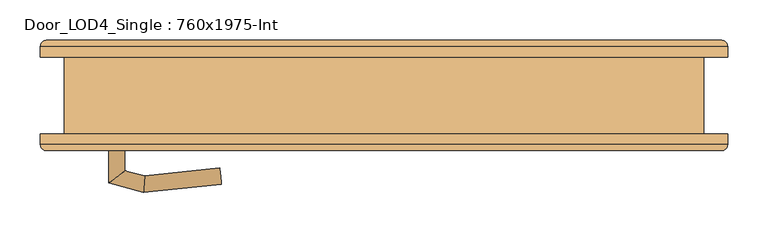
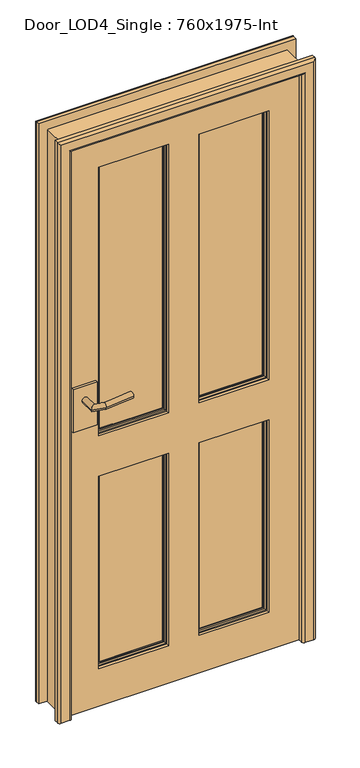
"""IFC4 building model written with IfcOpenShell, lengths in millimetres: door geometry, Door_LOD4_Single : 760x1975-Int."""

from ifc_helpers import new_model, si_unit, frame, origin, place, context, project, spatial, polyline, circle_curve, ellipse_curve, outline, extrude, source, transform, mapped, element, save
from ifc_brep_helpers import plane_surface, cylinder_surface, advanced_brep


def door_lod4_single_760x1975_int_8e423d4f(model_context):
    return source(origin(), model_context, "Body", "SolidModel", [
        advanced_brep(
        [(280.0000152, -17.5, 130.0), (50.0, -17.5, 130.0), (50.0, -17.5, 800.0), (280.0000152, -17.5, 800.0), (53.6443449, -17.5, 133.6443449), (276.3556703, -17.5, 133.6443449), (276.3556703, -17.5, 796.3556551), (53.6443449, -17.5, 796.3556551), (280.0000152, -37.5, 130.0), (280.0000152, -37.5, 800.0), (50.0, -37.5, 800.0), (50.0, -37.5, 130.0), (53.6443449, -37.5, 796.3556551), (276.3556703, -37.5, 796.3556551), (276.3556703, -37.5, 133.6443449), (53.6443449, -37.5, 133.6443449), (60.5, -29.8125, 789.5), (60.5, -32.8125, 789.5), (60.5, -32.8125, 140.5), (60.5, -29.8125, 140.5), (269.5000152, -32.8125, 140.5), (269.5000152, -29.8125, 140.5), (269.5000152, -32.8125, 789.5), (269.5000152, -29.8125, 789.5), (55.9375, -32.8125, 135.9375), (274.0625152, -32.8125, 135.9375), (274.0625152, -32.8125, 794.0625), (55.9375, -32.8125, 794.0625), (60.5, -22.1875, 789.5), (60.5, -25.1875, 789.5), (60.5, -25.1875, 140.5), (60.5, -22.1875, 140.5), (269.5000152, -25.1875, 140.5), (269.5000152, -22.1875, 140.5), (269.5000152, -25.1875, 789.5), (269.5000152, -22.1875, 789.5), (55.9375, -22.1875, 794.0625), (274.0625152, -22.1875, 794.0625), (274.0625152, -22.1875, 135.9375), (55.9375, -22.1875, 135.9375)],
        [
            (0, 1),
            (1, 2),
            (2, 3),
            (3, 0),
            (4, 5),
            (5, 6),
            (6, 7),
            (7, 4),
            (8, 9),
            (9, 10),
            (10, 11),
            (11, 8),
            (12, 13),
            (13, 14),
            (14, 15),
            (15, 12),
            (3, 9),
            (8, 0),
            (2, 10),
            (1, 11),
            (16, 17),
            (17, 18),
            (18, 19),
            (19, 16),
            (18, 20),
            (20, 21),
            (21, 19),
            (20, 22),
            (22, 23),
            (23, 21),
            (24, 25),
            (25, 26),
            (26, 27),
            (27, 24),
            (17, 22),
            (16, 23),
            (27, 12, ellipse_curve(frame((50.0, -32.8125, 800.0), z_axis=(-0.7071067811865475, 0.0, -0.7071067811865475), x_axis=(0.7071067811865474, 0.0, -0.7071067811865476)), 8.396893, 5.9375)),
            (15, 24, ellipse_curve(frame((50.0, -32.8125, 130.0), z_axis=(-0.7071067811865475, 0.0, 0.7071067811865475), x_axis=(-0.7071067811865474, 0.0, -0.7071067811865476)), 8.396893, 5.9375)),
            (14, 25, ellipse_curve(frame((280.0000152, -32.8125, 130.0), z_axis=(-0.7071067811865475, 0.0, -0.7071067811865475), x_axis=(0.7071067811865476, 0.0, -0.7071067811865474)), 8.396893, 5.9375)),
            (13, 26, ellipse_curve(frame((280.0000152, -32.8125, 800.0), z_axis=(0.7071067811865475, 0.0, -0.7071067811865475), x_axis=(0.7071067811865474, 0.0, 0.7071067811865476)), 8.396893, 5.9375)),
            (28, 29),
            (29, 30),
            (30, 31),
            (31, 28),
            (30, 32),
            (32, 33),
            (33, 31),
            (32, 34),
            (34, 35),
            (35, 33),
            (36, 37),
            (37, 38),
            (38, 39),
            (39, 36),
            (35, 28),
            (34, 29),
            (39, 4, ellipse_curve(frame((50.0, -22.1875, 130.0), z_axis=(-0.7071067811865475, 0.0, 0.7071067811865475), x_axis=(-0.7071067811865474, 0.0, -0.7071067811865476)), 8.396893, 5.9375)),
            (7, 36, ellipse_curve(frame((50.0, -22.1875, 800.0), z_axis=(-0.7071067811865475, 0.0, -0.7071067811865475), x_axis=(0.7071067811865474, 0.0, -0.7071067811865476)), 8.396893, 5.9375)),
            (38, 5, ellipse_curve(frame((280.0000152, -22.1875, 130.0), z_axis=(-0.7071067811865475, 0.0, -0.7071067811865475), x_axis=(0.7071067811865476, 0.0, -0.7071067811865474)), 8.396893, 5.9375)),
            (37, 6, ellipse_curve(frame((280.0000152, -22.1875, 800.0), z_axis=(0.7071067811865475, 0.0, -0.7071067811865475), x_axis=(0.7071067811865474, 0.0, 0.7071067811865476)), 8.396893, 5.9375)),
        ],
        [
            plane_surface(frame((280.0000152, -17.5, 130.0), z_axis=(0.0, 1.0, 0.0), x_axis=(0.0, 0.0, 1.0))),
            plane_surface(frame((280.0000152, -37.5, 130.0), z_axis=(0.0, -1.0, 0.0), x_axis=(0.0, 0.0, -1.0))),
            plane_surface(frame((280.0000152, -17.5, 130.0), z_axis=(1.0, 0.0, 0.0), x_axis=(0.0, -1.0, 0.0))),
            plane_surface(frame((280.0000152, -17.5, 800.0), z_axis=(0.0, 0.0, 1.0), x_axis=(0.0, -1.0, 0.0))),
            plane_surface(frame((50.0, -17.5, 800.0), z_axis=(-1.0, 0.0, 0.0), x_axis=(0.0, -1.0, 0.0))),
            plane_surface(frame((50.0, -17.5, 130.0), z_axis=(0.0, 0.0, -1.0), x_axis=(0.0, -1.0, 0.0))),
            plane_surface(frame((60.5, -32.8125, 789.5), z_axis=(1.0, 0.0, 0.0), x_axis=(0.0, 0.0, -1.0))),
            plane_surface(frame((60.5, -32.8125, 140.5), z_axis=(0.0, 0.0, 1.0), x_axis=(1.0, 0.0, 0.0))),
            plane_surface(frame((269.5000152, -32.8125, 140.5), z_axis=(-1.0, 0.0, 0.0), x_axis=(0.0, 0.0, 1.0))),
            plane_surface(frame((274.0625152, -32.8125, 794.0625), z_axis=(0.0, -1.0, 0.0), x_axis=(-1.0, 0.0, 0.0))),
            plane_surface(frame((269.5000152, -32.8125, 789.5), z_axis=(0.0, 0.0, -1.0), x_axis=(-1.0, 0.0, 0.0))),
            plane_surface(frame((269.5000152, -29.8125, 789.5), z_axis=(0.0, -1.0, 0.0), x_axis=(-1.0, 0.0, 0.0))),
            cylinder_surface(frame((50.0, -32.8125, 800.0), z_axis=(0.0, 0.0, -1.0), x_axis=(-1.0, 0.0, 0.0)), 5.9375),
            cylinder_surface(frame((50.0, -32.8125, 130.0), z_axis=(1.0, 0.0, 0.0), x_axis=(0.0, 0.0, -1.0)), 5.9375),
            cylinder_surface(frame((280.0000152, -32.8125, 130.0), z_axis=(0.0, 0.0, 1.0), x_axis=(1.0, 0.0, 0.0)), 5.9375),
            cylinder_surface(frame((280.0000152, -32.8125, 800.0), z_axis=(-1.0, 0.0, 0.0), x_axis=(0.0, 0.0, 1.0)), 5.9375),
            plane_surface(frame((60.5, -25.1875, 789.5), z_axis=(1.0, 0.0, 0.0), x_axis=(0.0, 0.0, -1.0))),
            plane_surface(frame((60.5, -25.1875, 140.5), z_axis=(0.0, 0.0, 1.0), x_axis=(1.0, 0.0, 0.0))),
            plane_surface(frame((269.5000152, -25.1875, 140.5), z_axis=(-1.0, 0.0, 0.0), x_axis=(0.0, 0.0, 1.0))),
            plane_surface(frame((269.5000152, -22.1875, 789.5), z_axis=(0.0, 1.0, 0.0), x_axis=(-1.0, 0.0, 0.0))),
            plane_surface(frame((269.5000152, -25.1875, 789.5), z_axis=(0.0, 0.0, -1.0), x_axis=(-1.0, 0.0, 0.0))),
            plane_surface(frame((246.5442628, -25.1875, 766.5442476), z_axis=(0.0, 1.0, 0.0), x_axis=(-1.0, 0.0, 0.0))),
            cylinder_surface(frame((50.0, -22.1875, 800.0), z_axis=(0.0, 0.0, -1.0), x_axis=(1.0, 0.0, 0.0)), 5.9375),
            cylinder_surface(frame((50.0, -22.1875, 130.0), z_axis=(1.0, 0.0, 0.0), x_axis=(0.0, 0.0, 1.0)), 5.9375),
            cylinder_surface(frame((280.0000152, -22.1875, 130.0), z_axis=(0.0, 0.0, 1.0), x_axis=(-1.0, 0.0, 0.0)), 5.9375),
            cylinder_surface(frame((280.0000152, -22.1875, 800.0), z_axis=(-1.0, 0.0, 0.0), x_axis=(0.0, 0.0, -1.0)), 5.9375),
        ],
        [
            (0, [[1, 2, 3, 4], [5, 6, 7, 8]]),
            (1, [[9, 10, 11, 12], [13, 14, 15, 16]]),
            (2, [[17, -9, 18, -4]]),
            (3, [[19, -10, -17, -3]]),
            (4, [[20, -11, -19, -2]]),
            (5, [[-18, -12, -20, -1]]),
            (6, [[21, 22, 23, 24]]),
            (7, [[25, 26, 27, -23]]),
            (8, [[28, 29, 30, -26]]),
            (9, [[31, 32, 33, 34], [35, -28, -25, -22]]),
            (10, [[36, -29, -35, -21]]),
            (11, [[-27, -30, -36, -24]]),
            (12, [[37, -16, 38, -34]]),
            (13, [[-38, -15, 39, -31]]),
            (14, [[-39, -14, 40, -32]]),
            (15, [[-40, -13, -37, -33]]),
            (16, [[41, 42, 43, 44]]),
            (17, [[45, 46, 47, -43]]),
            (18, [[48, 49, 50, -46]]),
            (19, [[51, 52, 53, 54], [-47, -50, 55, -44]]),
            (20, [[-55, -49, 56, -41]]),
            (21, [[-56, -48, -45, -42]]),
            (22, [[57, -8, 58, -54]]),
            (23, [[59, -5, -57, -53]]),
            (24, [[60, -6, -59, -52]]),
            (25, [[-58, -7, -60, -51]]),
        ],
    ),
        advanced_brep(
        [(-50.0, -17.5, 130.0), (-280.0000152, -17.5, 130.0), (-280.0000152, -17.5, 800.0), (-50.0, -17.5, 800.0), (-276.3556703, -17.5, 133.6443449), (-53.6443449, -17.5, 133.6443449), (-53.6443449, -17.5, 796.3556551), (-276.3556703, -17.5, 796.3556551), (-50.0, -37.5, 130.0), (-50.0, -37.5, 800.0), (-280.0000152, -37.5, 800.0), (-280.0000152, -37.5, 130.0), (-276.3556703, -37.5, 796.3556551), (-53.6443449, -37.5, 796.3556551), (-53.6443449, -37.5, 133.6443449), (-276.3556703, -37.5, 133.6443449), (-269.5000152, -29.8125, 789.5), (-269.5000152, -32.8125, 789.5), (-269.5000152, -32.8125, 140.5), (-269.5000152, -29.8125, 140.5), (-60.5, -32.8125, 140.5), (-60.5, -29.8125, 140.5), (-60.5, -32.8125, 789.5), (-60.5, -29.8125, 789.5), (-274.0625152, -32.8125, 135.9375), (-55.9375, -32.8125, 135.9375), (-55.9375, -32.8125, 794.0625), (-274.0625152, -32.8125, 794.0625), (-269.5000152, -22.1875, 789.5), (-269.5000152, -25.1875, 789.5), (-269.5000152, -25.1875, 140.5), (-269.5000152, -22.1875, 140.5), (-60.5, -25.1875, 140.5), (-60.5, -22.1875, 140.5), (-60.5, -25.1875, 789.5), (-60.5, -22.1875, 789.5), (-274.0625152, -22.1875, 794.0625), (-55.9375, -22.1875, 794.0625), (-55.9375, -22.1875, 135.9375), (-274.0625152, -22.1875, 135.9375)],
        [
            (0, 1),
            (1, 2),
            (2, 3),
            (3, 0),
            (4, 5),
            (5, 6),
            (6, 7),
            (7, 4),
            (8, 9),
            (9, 10),
            (10, 11),
            (11, 8),
            (12, 13),
            (13, 14),
            (14, 15),
            (15, 12),
            (3, 9),
            (8, 0),
            (2, 10),
            (1, 11),
            (16, 17),
            (17, 18),
            (18, 19),
            (19, 16),
            (18, 20),
            (20, 21),
            (21, 19),
            (20, 22),
            (22, 23),
            (23, 21),
            (24, 25),
            (25, 26),
            (26, 27),
            (27, 24),
            (17, 22),
            (16, 23),
            (27, 12, ellipse_curve(frame((-280.0000152, -32.8125, 800.0), z_axis=(-0.7071067811865475, 0.0, -0.7071067811865475), x_axis=(0.7071067811865474, 0.0, -0.7071067811865476)), 8.396893, 5.9375)),
            (15, 24, ellipse_curve(frame((-280.0000152, -32.8125, 130.0), z_axis=(-0.7071067811865475, 0.0, 0.7071067811865475), x_axis=(-0.7071067811865474, 0.0, -0.7071067811865476)), 8.396893, 5.9375)),
            (14, 25, ellipse_curve(frame((-50.0, -32.8125, 130.0), z_axis=(-0.7071067811865475, 0.0, -0.7071067811865475), x_axis=(0.7071067811865476, 0.0, -0.7071067811865474)), 8.396893, 5.9375)),
            (13, 26, ellipse_curve(frame((-50.0, -32.8125, 800.0), z_axis=(0.7071067811865475, 0.0, -0.7071067811865475), x_axis=(0.7071067811865474, 0.0, 0.7071067811865476)), 8.396893, 5.9375)),
            (28, 29),
            (29, 30),
            (30, 31),
            (31, 28),
            (30, 32),
            (32, 33),
            (33, 31),
            (32, 34),
            (34, 35),
            (35, 33),
            (36, 37),
            (37, 38),
            (38, 39),
            (39, 36),
            (35, 28),
            (34, 29),
            (39, 4, ellipse_curve(frame((-280.0000152, -22.1875, 130.0), z_axis=(-0.7071067811865475, 0.0, 0.7071067811865475), x_axis=(-0.7071067811865474, 0.0, -0.7071067811865476)), 8.396893, 5.9375)),
            (7, 36, ellipse_curve(frame((-280.0000152, -22.1875, 800.0), z_axis=(-0.7071067811865475, 0.0, -0.7071067811865475), x_axis=(0.7071067811865474, 0.0, -0.7071067811865476)), 8.396893, 5.9375)),
            (38, 5, ellipse_curve(frame((-50.0, -22.1875, 130.0), z_axis=(-0.7071067811865475, 0.0, -0.7071067811865475), x_axis=(0.7071067811865476, 0.0, -0.7071067811865474)), 8.396893, 5.9375)),
            (37, 6, ellipse_curve(frame((-50.0, -22.1875, 800.0), z_axis=(0.7071067811865475, 0.0, -0.7071067811865475), x_axis=(0.7071067811865474, 0.0, 0.7071067811865476)), 8.396893, 5.9375)),
        ],
        [
            plane_surface(frame((-50.0, -17.5, 130.0), z_axis=(0.0, 1.0, 0.0), x_axis=(0.0, 0.0, 1.0))),
            plane_surface(frame((-50.0, -37.5, 130.0), z_axis=(0.0, -1.0, 0.0), x_axis=(0.0, 0.0, -1.0))),
            plane_surface(frame((-50.0, -17.5, 130.0), z_axis=(1.0, 0.0, 0.0), x_axis=(0.0, -1.0, 0.0))),
            plane_surface(frame((-50.0, -17.5, 800.0), z_axis=(0.0, 0.0, 1.0), x_axis=(0.0, -1.0, 0.0))),
            plane_surface(frame((-280.0000152, -17.5, 800.0), z_axis=(-1.0, 0.0, 0.0), x_axis=(0.0, -1.0, 0.0))),
            plane_surface(frame((-280.0000152, -17.5, 130.0), z_axis=(0.0, 0.0, -1.0), x_axis=(0.0, -1.0, 0.0))),
            plane_surface(frame((-269.5000152, -32.8125, 789.5), z_axis=(1.0, 0.0, 0.0), x_axis=(0.0, 0.0, -1.0))),
            plane_surface(frame((-269.5000152, -32.8125, 140.5), z_axis=(0.0, 0.0, 1.0), x_axis=(1.0, 0.0, 0.0))),
            plane_surface(frame((-60.5, -32.8125, 140.5), z_axis=(-1.0, 0.0, 0.0), x_axis=(0.0, 0.0, 1.0))),
            plane_surface(frame((-55.9375, -32.8125, 794.0625), z_axis=(0.0, -1.0, 0.0), x_axis=(-1.0, 0.0, 0.0))),
            plane_surface(frame((-60.5, -32.8125, 789.5), z_axis=(0.0, 0.0, -1.0), x_axis=(-1.0, 0.0, 0.0))),
            plane_surface(frame((-60.5, -29.8125, 789.5), z_axis=(0.0, -1.0, 0.0), x_axis=(-1.0, 0.0, 0.0))),
            cylinder_surface(frame((-280.0000152, -32.8125, 800.0), z_axis=(0.0, 0.0, -1.0), x_axis=(-1.0, 0.0, 0.0)), 5.9375),
            cylinder_surface(frame((-280.0000152, -32.8125, 130.0), z_axis=(1.0, 0.0, 0.0), x_axis=(0.0, 0.0, -1.0)), 5.9375),
            cylinder_surface(frame((-50.0, -32.8125, 130.0), z_axis=(0.0, 0.0, 1.0), x_axis=(1.0, 0.0, 0.0)), 5.9375),
            cylinder_surface(frame((-50.0, -32.8125, 800.0), z_axis=(-1.0, 0.0, 0.0), x_axis=(0.0, 0.0, 1.0)), 5.9375),
            plane_surface(frame((-269.5000152, -25.1875, 789.5), z_axis=(1.0, 0.0, 0.0), x_axis=(0.0, 0.0, -1.0))),
            plane_surface(frame((-269.5000152, -25.1875, 140.5), z_axis=(0.0, 0.0, 1.0), x_axis=(1.0, 0.0, 0.0))),
            plane_surface(frame((-60.5, -25.1875, 140.5), z_axis=(-1.0, 0.0, 0.0), x_axis=(0.0, 0.0, 1.0))),
            plane_surface(frame((-60.5, -22.1875, 789.5), z_axis=(0.0, 1.0, 0.0), x_axis=(-1.0, 0.0, 0.0))),
            plane_surface(frame((-60.5, -25.1875, 789.5), z_axis=(0.0, 0.0, -1.0), x_axis=(-1.0, 0.0, 0.0))),
            plane_surface(frame((-83.4557524, -25.1875, 766.5442476), z_axis=(0.0, 1.0, 0.0), x_axis=(-1.0, 0.0, 0.0))),
            cylinder_surface(frame((-280.0000152, -22.1875, 800.0), z_axis=(0.0, 0.0, -1.0), x_axis=(1.0, 0.0, 0.0)), 5.9375),
            cylinder_surface(frame((-280.0000152, -22.1875, 130.0), z_axis=(1.0, 0.0, 0.0), x_axis=(0.0, 0.0, 1.0)), 5.9375),
            cylinder_surface(frame((-50.0, -22.1875, 130.0), z_axis=(0.0, 0.0, 1.0), x_axis=(-1.0, 0.0, 0.0)), 5.9375),
            cylinder_surface(frame((-50.0, -22.1875, 800.0), z_axis=(-1.0, 0.0, 0.0), x_axis=(0.0, 0.0, -1.0)), 5.9375),
        ],
        [
            (0, [[1, 2, 3, 4], [5, 6, 7, 8]]),
            (1, [[9, 10, 11, 12], [13, 14, 15, 16]]),
            (2, [[17, -9, 18, -4]]),
            (3, [[19, -10, -17, -3]]),
            (4, [[20, -11, -19, -2]]),
            (5, [[-18, -12, -20, -1]]),
            (6, [[21, 22, 23, 24]]),
            (7, [[25, 26, 27, -23]]),
            (8, [[28, 29, 30, -26]]),
            (9, [[31, 32, 33, 34], [35, -28, -25, -22]]),
            (10, [[36, -29, -35, -21]]),
            (11, [[-27, -30, -36, -24]]),
            (12, [[37, -16, 38, -34]]),
            (13, [[-38, -15, 39, -31]]),
            (14, [[-39, -14, 40, -32]]),
            (15, [[-40, -13, -37, -33]]),
            (16, [[41, 42, 43, 44]]),
            (17, [[45, 46, 47, -43]]),
            (18, [[48, 49, 50, -46]]),
            (19, [[51, 52, 53, 54], [-47, -50, 55, -44]]),
            (20, [[-55, -49, 56, -41]]),
            (21, [[-56, -48, -45, -42]]),
            (22, [[57, -8, 58, -54]]),
            (23, [[59, -5, -57, -53]]),
            (24, [[60, -6, -59, -52]]),
            (25, [[-58, -7, -60, -51]]),
        ],
    ),
        advanced_brep(
        [(280.0000152, -17.5, 940.0), (50.0, -17.5, 940.0), (50.0, -17.5, 1875.0000791), (280.0000152, -17.5, 1875.0000791), (53.6443449, -17.5, 943.6443449), (276.3556703, -17.5, 943.6443449), (276.3556703, -17.5, 1871.3557342), (53.6443449, -17.5, 1871.3557342), (280.0000152, -37.5, 940.0), (280.0000152, -37.5, 1875.0000791), (50.0, -37.5, 1875.0000791), (50.0, -37.5, 940.0), (53.6443449, -37.5, 1871.3557342), (276.3556703, -37.5, 1871.3557342), (276.3556703, -37.5, 943.6443449), (53.6443449, -37.5, 943.6443449), (60.5, -29.8125, 1864.5000791), (60.5, -32.8125, 1864.5000791), (60.5, -32.8125, 950.5), (60.5, -29.8125, 950.5), (269.5000152, -32.8125, 950.5), (269.5000152, -29.8125, 950.5), (269.5000152, -32.8125, 1864.5000791), (269.5000152, -29.8125, 1864.5000791), (55.9375, -32.8125, 945.9375), (274.0625152, -32.8125, 945.9375), (274.0625152, -32.8125, 1869.0625791), (55.9375, -32.8125, 1869.0625791), (60.5, -22.1875, 1864.5000791), (60.5, -25.1875, 1864.5000791), (60.5, -25.1875, 950.5), (60.5, -22.1875, 950.5), (269.5000152, -25.1875, 950.5), (269.5000152, -22.1875, 950.5), (269.5000152, -25.1875, 1864.5000791), (269.5000152, -22.1875, 1864.5000791), (55.9375, -22.1875, 1869.0625791), (274.0625152, -22.1875, 1869.0625791), (274.0625152, -22.1875, 945.9375), (55.9375, -22.1875, 945.9375)],
        [
            (0, 1),
            (1, 2),
            (2, 3),
            (3, 0),
            (4, 5),
            (5, 6),
            (6, 7),
            (7, 4),
            (8, 9),
            (9, 10),
            (10, 11),
            (11, 8),
            (12, 13),
            (13, 14),
            (14, 15),
            (15, 12),
            (3, 9),
            (8, 0),
            (2, 10),
            (1, 11),
            (16, 17),
            (17, 18),
            (18, 19),
            (19, 16),
            (18, 20),
            (20, 21),
            (21, 19),
            (20, 22),
            (22, 23),
            (23, 21),
            (24, 25),
            (25, 26),
            (26, 27),
            (27, 24),
            (17, 22),
            (16, 23),
            (27, 12, ellipse_curve(frame((50.0, -32.8125, 1875.0000791), z_axis=(-0.7071067811865475, 0.0, -0.7071067811865475), x_axis=(0.7071067811865474, 0.0, -0.7071067811865476)), 8.396893, 5.9375)),
            (15, 24, ellipse_curve(frame((50.0, -32.8125, 940.0), z_axis=(-0.7071067811865475, 0.0, 0.7071067811865475), x_axis=(-0.7071067811865474, 0.0, -0.7071067811865476)), 8.396893, 5.9375)),
            (14, 25, ellipse_curve(frame((280.0000152, -32.8125, 940.0), z_axis=(-0.7071067811865475, 0.0, -0.7071067811865475), x_axis=(0.7071067811865476, 0.0, -0.7071067811865474)), 8.396893, 5.9375)),
            (13, 26, ellipse_curve(frame((280.0000152, -32.8125, 1875.0000791), z_axis=(0.7071067811865475, 0.0, -0.7071067811865475), x_axis=(0.7071067811865474, 0.0, 0.7071067811865476)), 8.396893, 5.9375)),
            (28, 29),
            (29, 30),
            (30, 31),
            (31, 28),
            (30, 32),
            (32, 33),
            (33, 31),
            (32, 34),
            (34, 35),
            (35, 33),
            (36, 37),
            (37, 38),
            (38, 39),
            (39, 36),
            (35, 28),
            (34, 29),
            (39, 4, ellipse_curve(frame((50.0, -22.1875, 940.0), z_axis=(-0.7071067811865475, 0.0, 0.7071067811865475), x_axis=(-0.7071067811865474, 0.0, -0.7071067811865476)), 8.396893, 5.9375)),
            (7, 36, ellipse_curve(frame((50.0, -22.1875, 1875.0000791), z_axis=(-0.7071067811865475, 0.0, -0.7071067811865475), x_axis=(0.7071067811865474, 0.0, -0.7071067811865476)), 8.396893, 5.9375)),
            (38, 5, ellipse_curve(frame((280.0000152, -22.1875, 940.0), z_axis=(-0.7071067811865475, 0.0, -0.7071067811865475), x_axis=(0.7071067811865476, 0.0, -0.7071067811865474)), 8.396893, 5.9375)),
            (37, 6, ellipse_curve(frame((280.0000152, -22.1875, 1875.0000791), z_axis=(0.7071067811865475, 0.0, -0.7071067811865475), x_axis=(0.7071067811865474, 0.0, 0.7071067811865476)), 8.396893, 5.9375)),
        ],
        [
            plane_surface(frame((280.0000152, -17.5, 940.0), z_axis=(0.0, 1.0, 0.0), x_axis=(0.0, 0.0, 1.0))),
            plane_surface(frame((280.0000152, -37.5, 940.0), z_axis=(0.0, -1.0, 0.0), x_axis=(0.0, 0.0, -1.0))),
            plane_surface(frame((280.0000152, -17.5, 940.0), z_axis=(1.0, 0.0, 0.0), x_axis=(0.0, -1.0, 0.0))),
            plane_surface(frame((280.0000152, -17.5, 1875.0000791), z_axis=(0.0, 0.0, 1.0), x_axis=(0.0, -1.0, 0.0))),
            plane_surface(frame((50.0, -17.5, 1875.0000791), z_axis=(-1.0, 0.0, 0.0), x_axis=(0.0, -1.0, 0.0))),
            plane_surface(frame((50.0, -17.5, 940.0), z_axis=(0.0, 0.0, -1.0), x_axis=(0.0, -1.0, 0.0))),
            plane_surface(frame((60.5, -32.8125, 1864.5000791), z_axis=(1.0, 0.0, 0.0), x_axis=(0.0, 0.0, -1.0))),
            plane_surface(frame((60.5, -32.8125, 950.5), z_axis=(0.0, 0.0, 1.0), x_axis=(1.0, 0.0, 0.0))),
            plane_surface(frame((269.5000152, -32.8125, 950.5), z_axis=(-1.0, 0.0, 0.0), x_axis=(0.0, 0.0, 1.0))),
            plane_surface(frame((274.0625152, -32.8125, 1869.0625791), z_axis=(0.0, -1.0, 0.0), x_axis=(-1.0, 0.0, 0.0))),
            plane_surface(frame((269.5000152, -32.8125, 1864.5000791), z_axis=(0.0, 0.0, -1.0), x_axis=(-1.0, 0.0, 0.0))),
            plane_surface(frame((269.5000152, -29.8125, 1864.5000791), z_axis=(0.0, -1.0, 0.0), x_axis=(-1.0, 0.0, 0.0))),
            cylinder_surface(frame((50.0, -32.8125, 1875.0000791), z_axis=(0.0, 0.0, -1.0), x_axis=(-1.0, 0.0, 0.0)), 5.9375),
            cylinder_surface(frame((50.0, -32.8125, 940.0), z_axis=(1.0, 0.0, 0.0), x_axis=(0.0, 0.0, -1.0)), 5.9375),
            cylinder_surface(frame((280.0000152, -32.8125, 940.0), z_axis=(0.0, 0.0, 1.0), x_axis=(1.0, 0.0, 0.0)), 5.9375),
            cylinder_surface(frame((280.0000152, -32.8125, 1875.0000791), z_axis=(-1.0, 0.0, 0.0), x_axis=(0.0, 0.0, 1.0)), 5.9375),
            plane_surface(frame((60.5, -25.1875, 1864.5000791), z_axis=(1.0, 0.0, 0.0), x_axis=(0.0, 0.0, -1.0))),
            plane_surface(frame((60.5, -25.1875, 950.5), z_axis=(0.0, 0.0, 1.0), x_axis=(1.0, 0.0, 0.0))),
            plane_surface(frame((269.5000152, -25.1875, 950.5), z_axis=(-1.0, 0.0, 0.0), x_axis=(0.0, 0.0, 1.0))),
            plane_surface(frame((269.5000152, -22.1875, 1864.5000791), z_axis=(0.0, 1.0, 0.0), x_axis=(-1.0, 0.0, 0.0))),
            plane_surface(frame((269.5000152, -25.1875, 1864.5000791), z_axis=(0.0, 0.0, -1.0), x_axis=(-1.0, 0.0, 0.0))),
            plane_surface(frame((246.5442628, -25.1875, 1841.5443267), z_axis=(0.0, 1.0, 0.0), x_axis=(-1.0, 0.0, 0.0))),
            cylinder_surface(frame((50.0, -22.1875, 1875.0000791), z_axis=(0.0, 0.0, -1.0), x_axis=(1.0, 0.0, 0.0)), 5.9375),
            cylinder_surface(frame((50.0, -22.1875, 940.0), z_axis=(1.0, 0.0, 0.0), x_axis=(0.0, 0.0, 1.0)), 5.9375),
            cylinder_surface(frame((280.0000152, -22.1875, 940.0), z_axis=(0.0, 0.0, 1.0), x_axis=(-1.0, 0.0, 0.0)), 5.9375),
            cylinder_surface(frame((280.0000152, -22.1875, 1875.0000791), z_axis=(-1.0, 0.0, 0.0), x_axis=(0.0, 0.0, -1.0)), 5.9375),
        ],
        [
            (0, [[1, 2, 3, 4], [5, 6, 7, 8]]),
            (1, [[9, 10, 11, 12], [13, 14, 15, 16]]),
            (2, [[17, -9, 18, -4]]),
            (3, [[19, -10, -17, -3]]),
            (4, [[20, -11, -19, -2]]),
            (5, [[-18, -12, -20, -1]]),
            (6, [[21, 22, 23, 24]]),
            (7, [[25, 26, 27, -23]]),
            (8, [[28, 29, 30, -26]]),
            (9, [[31, 32, 33, 34], [35, -28, -25, -22]]),
            (10, [[36, -29, -35, -21]]),
            (11, [[-27, -30, -36, -24]]),
            (12, [[37, -16, 38, -34]]),
            (13, [[-38, -15, 39, -31]]),
            (14, [[-39, -14, 40, -32]]),
            (15, [[-40, -13, -37, -33]]),
            (16, [[41, 42, 43, 44]]),
            (17, [[45, 46, 47, -43]]),
            (18, [[48, 49, 50, -46]]),
            (19, [[51, 52, 53, 54], [-47, -50, 55, -44]]),
            (20, [[-55, -49, 56, -41]]),
            (21, [[-56, -48, -45, -42]]),
            (22, [[57, -8, 58, -54]]),
            (23, [[59, -5, -57, -53]]),
            (24, [[60, -6, -59, -52]]),
            (25, [[-58, -7, -60, -51]]),
        ],
    ),
        advanced_brep(
        [(-50.0, -17.5, 940.0), (-280.0000152, -17.5, 940.0), (-280.0000152, -17.5, 1875.0000791), (-50.0, -17.5, 1875.0000791), (-276.3556703, -17.5, 943.6443449), (-53.6443449, -17.5, 943.6443449), (-53.6443449, -17.5, 1871.3557342), (-276.3556703, -17.5, 1871.3557342), (-50.0, -37.5, 940.0), (-50.0, -37.5, 1875.0000791), (-280.0000152, -37.5, 1875.0000791), (-280.0000152, -37.5, 940.0), (-276.3556703, -37.5, 1871.3557342), (-53.6443449, -37.5, 1871.3557342), (-53.6443449, -37.5, 943.6443449), (-276.3556703, -37.5, 943.6443449), (-269.5000152, -29.8125, 1864.5000791), (-269.5000152, -32.8125, 1864.5000791), (-269.5000152, -32.8125, 950.5), (-269.5000152, -29.8125, 950.5), (-60.5, -32.8125, 950.5), (-60.5, -29.8125, 950.5), (-60.5, -32.8125, 1864.5000791), (-60.5, -29.8125, 1864.5000791), (-274.0625152, -32.8125, 945.9375), (-55.9375, -32.8125, 945.9375), (-55.9375, -32.8125, 1869.0625791), (-274.0625152, -32.8125, 1869.0625791), (-269.5000152, -22.1875, 1864.5000791), (-269.5000152, -25.1875, 1864.5000791), (-269.5000152, -25.1875, 950.5), (-269.5000152, -22.1875, 950.5), (-60.5, -25.1875, 950.5), (-60.5, -22.1875, 950.5), (-60.5, -25.1875, 1864.5000791), (-60.5, -22.1875, 1864.5000791), (-274.0625152, -22.1875, 1869.0625791), (-55.9375, -22.1875, 1869.0625791), (-55.9375, -22.1875, 945.9375), (-274.0625152, -22.1875, 945.9375)],
        [
            (0, 1),
            (1, 2),
            (2, 3),
            (3, 0),
            (4, 5),
            (5, 6),
            (6, 7),
            (7, 4),
            (8, 9),
            (9, 10),
            (10, 11),
            (11, 8),
            (12, 13),
            (13, 14),
            (14, 15),
            (15, 12),
            (3, 9),
            (8, 0),
            (2, 10),
            (1, 11),
            (16, 17),
            (17, 18),
            (18, 19),
            (19, 16),
            (18, 20),
            (20, 21),
            (21, 19),
            (20, 22),
            (22, 23),
            (23, 21),
            (24, 25),
            (25, 26),
            (26, 27),
            (27, 24),
            (17, 22),
            (16, 23),
            (27, 12, ellipse_curve(frame((-280.0000152, -32.8125, 1875.0000791), z_axis=(-0.7071067811865475, 0.0, -0.7071067811865475), x_axis=(0.7071067811865474, 0.0, -0.7071067811865476)), 8.396893, 5.9375)),
            (15, 24, ellipse_curve(frame((-280.0000152, -32.8125, 940.0), z_axis=(-0.7071067811865475, 0.0, 0.7071067811865475), x_axis=(-0.7071067811865474, 0.0, -0.7071067811865476)), 8.396893, 5.9375)),
            (14, 25, ellipse_curve(frame((-50.0, -32.8125, 940.0), z_axis=(-0.7071067811865475, 0.0, -0.7071067811865475), x_axis=(0.7071067811865476, 0.0, -0.7071067811865474)), 8.396893, 5.9375)),
            (13, 26, ellipse_curve(frame((-50.0, -32.8125, 1875.0000791), z_axis=(0.7071067811865475, 0.0, -0.7071067811865475), x_axis=(0.7071067811865474, 0.0, 0.7071067811865476)), 8.396893, 5.9375)),
            (28, 29),
            (29, 30),
            (30, 31),
            (31, 28),
            (30, 32),
            (32, 33),
            (33, 31),
            (32, 34),
            (34, 35),
            (35, 33),
            (36, 37),
            (37, 38),
            (38, 39),
            (39, 36),
            (35, 28),
            (34, 29),
            (39, 4, ellipse_curve(frame((-280.0000152, -22.1875, 940.0), z_axis=(-0.7071067811865475, 0.0, 0.7071067811865475), x_axis=(-0.7071067811865474, 0.0, -0.7071067811865476)), 8.396893, 5.9375)),
            (7, 36, ellipse_curve(frame((-280.0000152, -22.1875, 1875.0000791), z_axis=(-0.7071067811865475, 0.0, -0.7071067811865475), x_axis=(0.7071067811865474, 0.0, -0.7071067811865476)), 8.396893, 5.9375)),
            (38, 5, ellipse_curve(frame((-50.0, -22.1875, 940.0), z_axis=(-0.7071067811865475, 0.0, -0.7071067811865475), x_axis=(0.7071067811865476, 0.0, -0.7071067811865474)), 8.396893, 5.9375)),
            (37, 6, ellipse_curve(frame((-50.0, -22.1875, 1875.0000791), z_axis=(0.7071067811865475, 0.0, -0.7071067811865475), x_axis=(0.7071067811865474, 0.0, 0.7071067811865476)), 8.396893, 5.9375)),
        ],
        [
            plane_surface(frame((-50.0, -17.5, 940.0), z_axis=(0.0, 1.0, 0.0), x_axis=(0.0, 0.0, 1.0))),
            plane_surface(frame((-50.0, -37.5, 940.0), z_axis=(0.0, -1.0, 0.0), x_axis=(0.0, 0.0, -1.0))),
            plane_surface(frame((-50.0, -17.5, 940.0), z_axis=(1.0, 0.0, 0.0), x_axis=(0.0, -1.0, 0.0))),
            plane_surface(frame((-50.0, -17.5, 1875.0000791), z_axis=(0.0, 0.0, 1.0), x_axis=(0.0, -1.0, 0.0))),
            plane_surface(frame((-280.0000152, -17.5, 1875.0000791), z_axis=(-1.0, 0.0, 0.0), x_axis=(0.0, -1.0, 0.0))),
            plane_surface(frame((-280.0000152, -17.5, 940.0), z_axis=(0.0, 0.0, -1.0), x_axis=(0.0, -1.0, 0.0))),
            plane_surface(frame((-269.5000152, -32.8125, 1864.5000791), z_axis=(1.0, 0.0, 0.0), x_axis=(0.0, 0.0, -1.0))),
            plane_surface(frame((-269.5000152, -32.8125, 950.5), z_axis=(0.0, 0.0, 1.0), x_axis=(1.0, 0.0, 0.0))),
            plane_surface(frame((-60.5, -32.8125, 950.5), z_axis=(-1.0, 0.0, 0.0), x_axis=(0.0, 0.0, 1.0))),
            plane_surface(frame((-55.9375, -32.8125, 1869.0625791), z_axis=(0.0, -1.0, 0.0), x_axis=(-1.0, 0.0, 0.0))),
            plane_surface(frame((-60.5, -32.8125, 1864.5000791), z_axis=(0.0, 0.0, -1.0), x_axis=(-1.0, 0.0, 0.0))),
            plane_surface(frame((-60.5, -29.8125, 1864.5000791), z_axis=(0.0, -1.0, 0.0), x_axis=(-1.0, 0.0, 0.0))),
            cylinder_surface(frame((-280.0000152, -32.8125, 1875.0000791), z_axis=(0.0, 0.0, -1.0), x_axis=(-1.0, 0.0, 0.0)), 5.9375),
            cylinder_surface(frame((-280.0000152, -32.8125, 940.0), z_axis=(1.0, 0.0, 0.0), x_axis=(0.0, 0.0, -1.0)), 5.9375),
            cylinder_surface(frame((-50.0, -32.8125, 940.0), z_axis=(0.0, 0.0, 1.0), x_axis=(1.0, 0.0, 0.0)), 5.9375),
            cylinder_surface(frame((-50.0, -32.8125, 1875.0000791), z_axis=(-1.0, 0.0, 0.0), x_axis=(0.0, 0.0, 1.0)), 5.9375),
            plane_surface(frame((-269.5000152, -25.1875, 1864.5000791), z_axis=(1.0, 0.0, 0.0), x_axis=(0.0, 0.0, -1.0))),
            plane_surface(frame((-269.5000152, -25.1875, 950.5), z_axis=(0.0, 0.0, 1.0), x_axis=(1.0, 0.0, 0.0))),
            plane_surface(frame((-60.5, -25.1875, 950.5), z_axis=(-1.0, 0.0, 0.0), x_axis=(0.0, 0.0, 1.0))),
            plane_surface(frame((-60.5, -22.1875, 1864.5000791), z_axis=(0.0, 1.0, 0.0), x_axis=(-1.0, 0.0, 0.0))),
            plane_surface(frame((-60.5, -25.1875, 1864.5000791), z_axis=(0.0, 0.0, -1.0), x_axis=(-1.0, 0.0, 0.0))),
            plane_surface(frame((-83.4557524, -25.1875, 1841.5443267), z_axis=(0.0, 1.0, 0.0), x_axis=(-1.0, 0.0, 0.0))),
            cylinder_surface(frame((-280.0000152, -22.1875, 1875.0000791), z_axis=(0.0, 0.0, -1.0), x_axis=(1.0, 0.0, 0.0)), 5.9375),
            cylinder_surface(frame((-280.0000152, -22.1875, 940.0), z_axis=(1.0, 0.0, 0.0), x_axis=(0.0, 0.0, 1.0)), 5.9375),
            cylinder_surface(frame((-50.0, -22.1875, 940.0), z_axis=(0.0, 0.0, 1.0), x_axis=(-1.0, 0.0, 0.0)), 5.9375),
            cylinder_surface(frame((-50.0, -22.1875, 1875.0000791), z_axis=(-1.0, 0.0, 0.0), x_axis=(0.0, 0.0, -1.0)), 5.9375),
        ],
        [
            (0, [[1, 2, 3, 4], [5, 6, 7, 8]]),
            (1, [[9, 10, 11, 12], [13, 14, 15, 16]]),
            (2, [[17, -9, 18, -4]]),
            (3, [[19, -10, -17, -3]]),
            (4, [[20, -11, -19, -2]]),
            (5, [[-18, -12, -20, -1]]),
            (6, [[21, 22, 23, 24]]),
            (7, [[25, 26, 27, -23]]),
            (8, [[28, 29, 30, -26]]),
            (9, [[31, 32, 33, 34], [35, -28, -25, -22]]),
            (10, [[36, -29, -35, -21]]),
            (11, [[-27, -30, -36, -24]]),
            (12, [[37, -16, 38, -34]]),
            (13, [[-38, -15, 39, -31]]),
            (14, [[-39, -14, 40, -32]]),
            (15, [[-40, -13, -37, -33]]),
            (16, [[41, 42, 43, 44]]),
            (17, [[45, 46, 47, -43]]),
            (18, [[48, 49, 50, -46]]),
            (19, [[51, 52, 53, 54], [-47, -50, 55, -44]]),
            (20, [[-55, -49, 56, -41]]),
            (21, [[-56, -48, -45, -42]]),
            (22, [[57, -8, 58, -54]]),
            (23, [[59, -5, -57, -53]]),
            (24, [[60, -6, -59, -52]]),
            (25, [[-58, -7, -60, -51]]),
        ],
    ),
        extrude(outline(polyline([(1975.0000791, -380.0000152), (0.0, -380.0000152), (0.0, 380.0000152), (1975.0000791, 380.0000152), (1975.0000791, -380.0000152)]), holes=[polyline([(800.0, -50.0), (130.0, -50.0), (130.0, -280.0000152), (800.0, -280.0000152), (800.0, -50.0)]), polyline([(800.0, 280.0000152), (130.0, 280.0000152), (130.0, 50.0), (800.0, 50.0), (800.0, 280.0000152)]), polyline([(1875.0000791, -50.0), (940.0, -50.0), (940.0, -280.0000152), (1875.0000791, -280.0000152), (1875.0000791, -50.0)]), polyline([(1875.0000791, 280.0000152), (940.0, 280.0000152), (940.0, 50.0), (1875.0000791, 50.0), (1875.0000791, 280.0000152)])]), frame((0.0, -47.5, 0.0), z_axis=(0.0, 1.0, 0.0), x_axis=(0.0, 0.0, 1.0)), (0.0, 0.0, 1.0), 40.0),
        advanced_brep(
        [(-340.0000152, 0.5, 1087.5000395), (-320.0000152, 0.5, 1087.5000395), (-340.0000152, 53.1732699, 1087.5000395), (-320.0000152, 37.8267301, 1087.5000395), (-296.9904233, 64.6976553, 1087.5000395), (-295.3947993, 44.4196778, 1087.5000395), (-200.6930709, 54.5736521, 1087.5000395), (-202.7842007, 34.6832731, 1087.5000395)],
        [
            (0, 1, circle_curve(frame((-330.0000152, 0.5, 1087.5000395), z_axis=(0.0, -1.0, 0.0), x_axis=(1.0, 0.0, 0.0)), 10.0)),
            (1, 0, circle_curve(frame((-330.0000152, 0.5, 1087.5000395), z_axis=(0.0, -1.0, 0.0), x_axis=(1.0, 0.0, 0.0)), 10.0)),
            (0, 2),
            (2, 3, ellipse_curve(frame((-330.0000152, 45.5, 1087.5000395), z_axis=(-0.6087614290087403, -0.79335334029122, 0.0), x_axis=(0.7933533402912198, -0.6087614290087406, 0.0)), 12.6047241, 10.0)),
            (3, 1),
            (3, 2, ellipse_curve(frame((-330.0000152, 45.5, 1087.5000395), z_axis=(-0.6087614290087403, -0.79335334029122, 0.0), x_axis=(0.7933533402912198, -0.6087614290087406, 0.0)), 12.6047241, 10.0)),
            (2, 4),
            (4, 5, ellipse_curve(frame((-296.1926113, 54.5586666, 1087.5000395), z_axis=(-0.9969184391323764, -0.07844504903348702, 0.0), x_axis=(0.07844504903348593, -0.9969184391323765, 0.0)), 10.1703292, 10.0)),
            (5, 3),
            (5, 4, ellipse_curve(frame((-296.1926113, 54.5586666, 1087.5000395), z_axis=(-0.9969184391323764, -0.07844504903348702, 0.0), x_axis=(0.07844504903348593, -0.9969184391323765, 0.0)), 10.1703292, 10.0)),
            (6, 7, circle_curve(frame((-201.7386358, 44.6284626, 1087.5000395), z_axis=(0.9945189493358518, -0.10455648909519343, 0.0), x_axis=(-0.10455648909519343, -0.9945189493358518, 0.0)), 10.0)),
            (7, 6, circle_curve(frame((-201.7386358, 44.6284626, 1087.5000395), z_axis=(0.9945189493358518, -0.10455648909519343, 0.0), x_axis=(-0.10455648909519343, -0.9945189493358518, 0.0)), 10.0)),
            (4, 6),
            (7, 5),
        ],
        [
            plane_surface(frame((-330.0000152, 0.5, 1087.5000395), z_axis=(0.0, -1.0, 0.0), x_axis=(0.0, 0.0, 1.0))),
            cylinder_surface(frame((-330.0000152, 0.5, 1087.5000395), z_axis=(0.0, -1.0, 0.0), x_axis=(1.0, 0.0, 0.0)), 10.0),
            cylinder_surface(frame((-330.0000152, 45.5, 1087.5000395), z_axis=(-0.965925826289083, -0.2588190451024665, 0.0), x_axis=(0.2588190451024665, -0.965925826289083, 0.0)), 10.0),
            plane_surface(frame((-201.7386358, 44.6284626, 1087.5000395), z_axis=(0.9945189493358518, -0.10455648909519348, 0.0), x_axis=(0.0, 0.0, 1.0))),
            cylinder_surface(frame((-296.1926113, 54.5586666, 1087.5000395), z_axis=(-0.9945189493358518, 0.10455648909519343, 0.0), x_axis=(-0.10455648909519343, -0.9945189493358518, 0.0)), 10.0),
        ],
        [
            (0, [[1, 2]]),
            (1, [[-1, 3, 4, 5]]),
            (1, [[-2, -5, 6, -3]]),
            (2, [[-4, 7, 8, 9]]),
            (2, [[-6, -9, 10, -7]]),
            (3, [[11, 12]]),
            (4, [[-8, 13, -12, 14]]),
            (4, [[-10, -14, -11, -13]]),
        ],
    ),
        extrude(outline(polyline([(-370.0000152, 0.5), (-290.0000152, 0.5), (-290.0000152, -7.5), (-370.0000152, -7.5), (-370.0000152, 0.5)])), frame((0.0, 0.0, 987.5000395), z_axis=(0.0, 0.0, 1.0), x_axis=(1.0, 0.0, 0.0)), (0.0, 0.0, 1.0), 150.0),
        advanced_brep(
        [(-340.0000152, -55.5, 1087.5000395), (-320.0000152, -55.5, 1087.5000395), (-320.0000152, -92.8267301, 1087.5000395), (-340.0000152, -108.1732699, 1087.5000395), (-295.3947993, -99.4196778, 1087.5000395), (-296.9904233, -119.6976553, 1087.5000395), (-200.6930709, -109.5736521, 1087.5000395), (-202.7842007, -89.6832731, 1087.5000395)],
        [
            (0, 1, circle_curve(frame((-330.0000152, -55.5, 1087.5000395), z_axis=(0.0, 1.0, 0.0), x_axis=(1.0, 0.0, 0.0)), 10.0)),
            (1, 0, circle_curve(frame((-330.0000152, -55.5, 1087.5000395), z_axis=(0.0, 1.0, 0.0), x_axis=(1.0, 0.0, 0.0)), 10.0)),
            (1, 2),
            (2, 3, ellipse_curve(frame((-330.0000152, -100.5, 1087.5000395), z_axis=(-0.6087614290087454, 0.793353340291216, 0.0), x_axis=(0.793353340291216, 0.6087614290087459, 0.0)), 12.6047241, 10.0)),
            (3, 0),
            (3, 2, ellipse_curve(frame((-330.0000152, -100.5, 1087.5000395), z_axis=(-0.6087614290087454, 0.793353340291216, 0.0), x_axis=(0.793353340291216, 0.6087614290087459, 0.0)), 12.6047241, 10.0)),
            (2, 4),
            (4, 5, ellipse_curve(frame((-296.1926113, -109.5586666, 1087.5000395), z_axis=(-0.9969184391323771, 0.07844504903348057, 0.0), x_axis=(0.07844504903348166, 0.9969184391323769, 0.0)), 10.1703292, 10.0)),
            (5, 3),
            (5, 4, ellipse_curve(frame((-296.1926113, -109.5586666, 1087.5000395), z_axis=(-0.9969184391323771, 0.07844504903348057, 0.0), x_axis=(0.07844504903348166, 0.9969184391323769, 0.0)), 10.1703292, 10.0)),
            (6, 7, circle_curve(frame((-201.7386358, -99.6284626, 1087.5000395), z_axis=(0.9945189493358512, 0.10455648909519989, 0.0), x_axis=(-0.10455648909519989, 0.9945189493358512, 0.0)), 10.0)),
            (7, 6, circle_curve(frame((-201.7386358, -99.6284626, 1087.5000395), z_axis=(0.9945189493358512, 0.10455648909519989, 0.0), x_axis=(-0.10455648909519989, 0.9945189493358512, 0.0)), 10.0)),
            (4, 7),
            (6, 5),
        ],
        [
            plane_surface(frame((-330.0000152, -55.5, 1087.5000395), z_axis=(0.0, 1.0, 0.0), x_axis=(0.0, 0.0, 1.0))),
            cylinder_surface(frame((-330.0000152, -55.5, 1087.5000395), z_axis=(0.0, 1.0, 0.0), x_axis=(1.0, 0.0, 0.0)), 10.0),
            cylinder_surface(frame((-330.0000152, -100.5, 1087.5000395), z_axis=(-0.9659258262890846, 0.25881904510246023, 0.0), x_axis=(0.25881904510246023, 0.9659258262890846, 0.0)), 10.0),
            plane_surface(frame((-201.7386358, -99.6284626, 1087.5000395), z_axis=(0.9945189493358512, 0.10455648909519995, 0.0), x_axis=(0.0, 0.0, 1.0))),
            cylinder_surface(frame((-296.1926113, -109.5586666, 1087.5000395), z_axis=(-0.9945189493358512, -0.10455648909519989, 0.0), x_axis=(-0.10455648909519989, 0.9945189493358512, 0.0)), 10.0),
        ],
        [
            (0, [[1, 2]]),
            (1, [[3, 4, 5, -2]]),
            (1, [[-5, 6, -3, -1]]),
            (2, [[7, 8, 9, -4]]),
            (2, [[-9, 10, -7, -6]]),
            (3, [[11, 12]]),
            (4, [[13, -11, 14, -8]]),
            (4, [[-14, -12, -13, -10]]),
        ],
    ),
        extrude(outline(polyline([(-370.0000152, -55.5), (-370.0000152, -47.5), (-290.0000152, -47.5), (-290.0000152, -55.5), (-370.0000152, -55.5)])), frame((0.0, 0.0, 987.5000395), z_axis=(0.0, 0.0, 1.0), x_axis=(1.0, 0.0, 0.0)), (0.0, 0.0, 1.0), 150.0),
        advanced_brep(
        [(380.0000152, -60.1019651, 0.0), (380.0000152, -60.1019651, 1975.0000791), (380.0000152, -47.5, 1975.0000791), (380.0000152, -47.5, 0.0), (388.1091008, -68.2110507, 1983.1091647), (-388.1091008, -68.2110507, 1983.1091647), (-380.0000152, -60.1019651, 1975.0000791), (424.1946997, -47.5, 0.0), (424.1946997, -60.8339685, 0.0), (416.8176176, -68.2110507, 0.0), (388.1091008, -68.2110507, 0.0), (-380.0000152, -47.5, 0.0), (-380.0000152, -60.1019651, 0.0), (-388.1091008, -68.2110507, 0.0), (-416.8176176, -68.2110507, 0.0), (-424.1946997, -60.8339685, 0.0), (-424.1946997, -47.5, 0.0), (424.1946997, -60.8339685, 2019.1947636), (416.8176176, -68.2110507, 2011.8176814), (-380.0000152, -47.5, 1975.0000791), (-424.1946997, -47.5, 2019.1947636), (424.1946997, -47.5, 2019.1947636), (-416.8176176, -68.2110507, 2011.8176814), (-424.1946997, -60.8339685, 2019.1947636)],
        [
            (0, 1),
            (1, 2),
            (2, 3),
            (3, 0),
            (4, 5),
            (5, 6, ellipse_curve(frame((-388.1091008, -60.1019651, 1983.1091647), z_axis=(0.7071067811865464, 0.0, 0.7071067811865487), x_axis=(0.7071067811865487, 0.0, -0.7071067811865462)), 11.4679788, 8.1090856)),
            (6, 1),
            (1, 4, ellipse_curve(frame((388.1091008, -60.1019651, 1983.1091647), z_axis=(-0.7071067811865487, 0.0, 0.7071067811865464), x_axis=(0.7071067811865462, 0.0, 0.7071067811865487)), 11.4679788, 8.1090856)),
            (3, 7),
            (7, 8),
            (8, 9, circle_curve(frame((416.8176176, -60.8339685, 0.0), z_axis=(0.0, 0.0, -1.0), x_axis=(1.0, 0.0, 0.0)), 7.3770822)),
            (9, 10),
            (10, 0, circle_curve(frame((388.1091008, -60.1019651, 0.0), z_axis=(0.0, 0.0, -1.0), x_axis=(1.0, 0.0, 0.0)), 8.1090856)),
            (11, 12),
            (12, 13, circle_curve(frame((-388.1091008, -60.1019651, 0.0), z_axis=(0.0, 0.0, -1.0), x_axis=(-1.0, 0.0, 0.0)), 8.1090856)),
            (13, 14),
            (14, 15, circle_curve(frame((-416.8176176, -60.8339685, 0.0), z_axis=(0.0, 0.0, -1.0), x_axis=(-1.0, 0.0, 0.0)), 7.3770822)),
            (15, 16),
            (16, 11),
            (8, 17),
            (17, 18, ellipse_curve(frame((416.8176176, -60.8339685, 2011.8176814), z_axis=(0.7071067811865487, 0.0, -0.7071067811865464), x_axis=(-0.7071067811865462, 0.0, -0.7071067811865487)), 10.4327696, 7.3770822)),
            (18, 9),
            (2, 19),
            (19, 11),
            (16, 20),
            (20, 21),
            (21, 7),
            (21, 17),
            (18, 22),
            (22, 14),
            (13, 5),
            (4, 10),
            (17, 23),
            (23, 22, ellipse_curve(frame((-416.8176176, -60.8339685, 2011.8176814), z_axis=(0.7071067811865464, 0.0, 0.7071067811865487), x_axis=(0.7071067811865487, 0.0, -0.7071067811865462)), 10.4327696, 7.3770822)),
            (20, 23),
            (6, 19),
            (23, 15),
            (6, 12),
        ],
        [
            plane_surface(frame((380.0000152, -47.5, 0.0), z_axis=(-1.0, 0.0, 0.0), x_axis=(0.0, 0.0, 1.0))),
            cylinder_surface(frame((380.0000152, -60.1019651, 1983.1091647), z_axis=(1.0, 0.0, 0.0), x_axis=(0.0, 0.0, 1.0)), 8.1090856),
            plane_surface(frame((380.0000152, -47.5, 0.0), z_axis=(0.0, 0.0, -1.0), x_axis=(0.0, -1.0, 0.0))),
            plane_surface(frame((-380.0000152, -47.5, 0.0), z_axis=(0.0, 0.0, -1.0), x_axis=(0.0, -1.0, 0.0))),
            cylinder_surface(frame((416.8176176, -60.8339685, 0.0), z_axis=(0.0, 0.0, -1.0), x_axis=(1.0, 0.0, 0.0)), 7.3770822),
            plane_surface(frame((424.1946997, -47.5, 0.0), z_axis=(0.0, 1.0, 0.0), x_axis=(0.0, 0.0, 1.0))),
            plane_surface(frame((424.1946997, -60.8339685, 0.0), z_axis=(1.0, 0.0, 0.0), x_axis=(0.0, 0.0, 1.0))),
            plane_surface(frame((388.1091008, -68.2110507, 0.0), z_axis=(0.0, -1.0, 0.0), x_axis=(0.0, 0.0, 1.0))),
            cylinder_surface(frame((380.0000152, -60.8339685, 2011.8176814), z_axis=(1.0, 0.0, 0.0), x_axis=(0.0, 0.0, 1.0)), 7.3770822),
            plane_surface(frame((424.1946997, -60.8339685, 2019.1947636), z_axis=(0.0, 0.0, 1.0), x_axis=(-1.0, 0.0, 0.0))),
            plane_surface(frame((380.0000152, -47.5, 1975.0000791), z_axis=(0.0, 0.0, -1.0), x_axis=(-1.0, 0.0, 0.0))),
            cylinder_surface(frame((-416.8176176, -60.8339685, 1975.0000791), z_axis=(0.0, 0.0, 1.0), x_axis=(-1.0, 0.0, 0.0)), 7.3770822),
            plane_surface(frame((-424.1946997, -60.8339685, 2019.1947636), z_axis=(-1.0, 0.0, 0.0), x_axis=(0.0, 0.0, -1.0))),
            plane_surface(frame((-380.0000152, -47.5, 1975.0000791), z_axis=(1.0, 0.0, 0.0), x_axis=(0.0, 0.0, -1.0))),
            cylinder_surface(frame((388.1091008, -60.1019651, 0.0), z_axis=(0.0, 0.0, -1.0), x_axis=(1.0, 0.0, 0.0)), 8.1090856),
            cylinder_surface(frame((-388.1091008, -60.1019651, 1975.0000791), z_axis=(0.0, 0.0, 1.0), x_axis=(-1.0, 0.0, 0.0)), 8.1090856),
        ],
        [
            (0, [[1, 2, 3, 4]]),
            (1, [[5, 6, 7, 8]]),
            (2, [[9, 10, 11, 12, 13, -4]]),
            (3, [[14, 15, 16, 17, 18, 19]]),
            (4, [[20, 21, 22, -11]]),
            (5, [[-3, 23, 24, -19, 25, 26, 27, -9]]),
            (6, [[-27, 28, -20, -10]]),
            (7, [[-22, 29, 30, -16, 31, -5, 32, -12]]),
            (8, [[33, 34, -29, -21]]),
            (9, [[-26, 35, -33, -28]]),
            (10, [[-7, 36, -23, -2]]),
            (11, [[37, -17, -30, -34]]),
            (12, [[-25, -18, -37, -35]]),
            (13, [[38, -14, -24, -36]]),
            (14, [[-32, -8, -1, -13]]),
            (15, [[-31, -15, -38, -6]]),
        ],
    ),
        advanced_brep(
        [(-380.0000152, 60.1019651, 0.0), (-380.0000152, 60.1019651, 1975.0000791), (-380.0000152, 47.5, 1975.0000791), (-380.0000152, 47.5, 0.0), (-388.1091008, 68.2110507, 1983.1091647), (388.1091008, 68.2110507, 1983.1091647), (380.0000152, 60.1019651, 1975.0000791), (-424.1946997, 47.5, 0.0), (-424.1946997, 60.8339685, 0.0), (-416.8176176, 68.2110507, 0.0), (-388.1091008, 68.2110507, 0.0), (380.0000152, 47.5, 0.0), (380.0000152, 60.1019651, 0.0), (388.1091008, 68.2110507, 0.0), (416.8176176, 68.2110507, 0.0), (424.1946997, 60.8339685, 0.0), (424.1946997, 47.5, 0.0), (-424.1946997, 60.8339685, 2019.1947636), (-416.8176176, 68.2110507, 2011.8176814), (380.0000152, 47.5, 1975.0000791), (424.1946997, 47.5, 2019.1947636), (-424.1946997, 47.5, 2019.1947636), (416.8176176, 68.2110507, 2011.8176814), (424.1946997, 60.8339685, 2019.1947636)],
        [
            (0, 1),
            (1, 2),
            (2, 3),
            (3, 0),
            (4, 5),
            (5, 6, ellipse_curve(frame((388.1091008, 60.1019651, 1983.1091647), z_axis=(-0.7071067811865464, 0.0, 0.7071067811865487), x_axis=(-0.7071067811865487, 0.0, -0.7071067811865462)), 11.4679788, 8.1090856)),
            (6, 1),
            (1, 4, ellipse_curve(frame((-388.1091008, 60.1019651, 1983.1091647), z_axis=(0.7071067811865487, 0.0, 0.7071067811865464), x_axis=(-0.7071067811865462, 0.0, 0.7071067811865487)), 11.4679788, 8.1090856)),
            (3, 7),
            (7, 8),
            (8, 9, circle_curve(frame((-416.8176176, 60.8339685, 0.0), z_axis=(0.0, 0.0, -1.0), x_axis=(-1.0, 0.0, 0.0)), 7.3770822)),
            (9, 10),
            (10, 0, circle_curve(frame((-388.1091008, 60.1019651, 0.0), z_axis=(0.0, 0.0, -1.0), x_axis=(-1.0, 0.0, 0.0)), 8.1090856)),
            (11, 12),
            (12, 13, circle_curve(frame((388.1091008, 60.1019651, 0.0), z_axis=(0.0, 0.0, -1.0), x_axis=(1.0, 0.0, 0.0)), 8.1090856)),
            (13, 14),
            (14, 15, circle_curve(frame((416.8176176, 60.8339685, 0.0), z_axis=(0.0, 0.0, -1.0), x_axis=(1.0, 0.0, 0.0)), 7.3770822)),
            (15, 16),
            (16, 11),
            (8, 17),
            (17, 18, ellipse_curve(frame((-416.8176176, 60.8339685, 2011.8176814), z_axis=(-0.7071067811865487, 0.0, -0.7071067811865464), x_axis=(0.7071067811865462, 0.0, -0.7071067811865487)), 10.4327696, 7.3770822)),
            (18, 9),
            (2, 19),
            (19, 11),
            (16, 20),
            (20, 21),
            (21, 7),
            (21, 17),
            (18, 22),
            (22, 14),
            (13, 5),
            (4, 10),
            (17, 23),
            (23, 22, ellipse_curve(frame((416.8176176, 60.8339685, 2011.8176814), z_axis=(-0.7071067811865464, 0.0, 0.7071067811865487), x_axis=(-0.7071067811865487, 0.0, -0.7071067811865462)), 10.4327696, 7.3770822)),
            (20, 23),
            (6, 19),
            (23, 15),
            (6, 12),
        ],
        [
            plane_surface(frame((-380.0000152, 47.5, 0.0), z_axis=(1.0, 0.0, 0.0), x_axis=(0.0, 0.0, 1.0))),
            cylinder_surface(frame((-380.0000152, 60.1019651, 1983.1091647), z_axis=(-1.0, 0.0, 0.0), x_axis=(0.0, 0.0, 1.0)), 8.1090856),
            plane_surface(frame((-380.0000152, 47.5, 0.0), z_axis=(0.0, 0.0, -1.0), x_axis=(0.0, 1.0, 0.0))),
            plane_surface(frame((380.0000152, 47.5, 0.0), z_axis=(0.0, 0.0, -1.0), x_axis=(0.0, 1.0, 0.0))),
            cylinder_surface(frame((-416.8176176, 60.8339685, 0.0), z_axis=(0.0, 0.0, -1.0), x_axis=(-1.0, 0.0, 0.0)), 7.3770822),
            plane_surface(frame((-424.1946997, 47.5, 0.0), z_axis=(0.0, -1.0, 0.0), x_axis=(0.0, 0.0, 1.0))),
            plane_surface(frame((-424.1946997, 60.8339685, 0.0), z_axis=(-1.0, 0.0, 0.0), x_axis=(0.0, 0.0, 1.0))),
            plane_surface(frame((-388.1091008, 68.2110507, 0.0), z_axis=(0.0, 1.0, 0.0), x_axis=(0.0, 0.0, 1.0))),
            cylinder_surface(frame((-380.0000152, 60.8339685, 2011.8176814), z_axis=(-1.0, 0.0, 0.0), x_axis=(0.0, 0.0, 1.0)), 7.3770822),
            plane_surface(frame((-424.1946997, 60.8339685, 2019.1947636), z_axis=(0.0, 0.0, 1.0), x_axis=(1.0, 0.0, 0.0))),
            plane_surface(frame((-380.0000152, 47.5, 1975.0000791), z_axis=(0.0, 0.0, -1.0), x_axis=(1.0, 0.0, 0.0))),
            cylinder_surface(frame((416.8176176, 60.8339685, 1975.0000791), z_axis=(0.0, 0.0, 1.0), x_axis=(1.0, 0.0, 0.0)), 7.3770822),
            plane_surface(frame((424.1946997, 60.8339685, 2019.1947636), z_axis=(1.0, 0.0, 0.0), x_axis=(0.0, 0.0, -1.0))),
            plane_surface(frame((380.0000152, 47.5, 1975.0000791), z_axis=(-1.0, 0.0, 0.0), x_axis=(0.0, 0.0, -1.0))),
            cylinder_surface(frame((-388.1091008, 60.1019651, 0.0), z_axis=(0.0, 0.0, -1.0), x_axis=(-1.0, 0.0, 0.0)), 8.1090856),
            cylinder_surface(frame((388.1091008, 60.1019651, 1975.0000791), z_axis=(0.0, 0.0, 1.0), x_axis=(1.0, 0.0, 0.0)), 8.1090856),
        ],
        [
            (0, [[1, 2, 3, 4]]),
            (1, [[5, 6, 7, 8]]),
            (2, [[9, 10, 11, 12, 13, -4]]),
            (3, [[14, 15, 16, 17, 18, 19]]),
            (4, [[20, 21, 22, -11]]),
            (5, [[-3, 23, 24, -19, 25, 26, 27, -9]]),
            (6, [[-27, 28, -20, -10]]),
            (7, [[-22, 29, 30, -16, 31, -5, 32, -12]]),
            (8, [[33, 34, -29, -21]]),
            (9, [[-26, 35, -33, -28]]),
            (10, [[-7, 36, -23, -2]]),
            (11, [[37, -17, -30, -34]]),
            (12, [[-25, -18, -37, -35]]),
            (13, [[38, -14, -24, -36]]),
            (14, [[-32, -8, -1, -13]]),
            (15, [[-31, -15, -38, -6]]),
        ],
    ),
        extrude(outline(polyline([(1975.0000791, -380.0000152), (0.0, -380.0000152), (0.0, -360.0000152), (1955.0000791, -360.0000152), (1955.0000791, 360.0000152), (0.0, 360.0000152), (0.0, 380.0000152), (1975.0000791, 380.0000152), (1975.0000791, -380.0000152)])), frame((0.0, -7.5, 0.0), z_axis=(0.0, 1.0, 0.0), x_axis=(0.0, 0.0, 1.0)), (0.0, 0.0, 1.0), 60.0),
        extrude(outline(polyline([(1990.0000791, -395.0000152), (0.0, -395.0000152), (0.0, -380.0000152), (1975.0000791, -380.0000152), (1975.0000791, 380.0000152), (0.0, 380.0000152), (0.0, 395.0000152), (1990.0000791, 395.0000152), (1990.0000791, -395.0000152)])), frame((0.0, -47.5, 0.0), z_axis=(0.0, 1.0, 0.0), x_axis=(0.0, 0.0, 1.0)), (0.0, 0.0, 1.0), 95.0),
    ])


if __name__ == "__main__":
    model = new_model("IFC4")
    model_context = context("Model", 3, world=origin())
    ifc_project = project(units=[si_unit("LENGTHUNIT", "METRE", prefix="MILLI")], contexts=[model_context])
    site = spatial("IfcSite", under=ifc_project)
    building = spatial("IfcBuilding", under=site)
    placement = place(None, origin())
    door_lod4_single_760x1975_int_shape = door_lod4_single_760x1975_int_8e423d4f(model_context)
    element("IfcDoor", 1, ObjectType="Door_LOD4_Single : 760x1975-Int", at=placement, inside=building, context=model_context, shape_type="MappedRepresentation", body=[
        mapped(door_lod4_single_760x1975_int_shape, transform((0.0, 0.0, 0.0), x_axis=(1.0, 0.0, 0.0), y_axis=(0.0, 1.0, 0.0), z_axis=(0.0, 0.0, 1.0))),
    ])
    save(model, "model.ifc")
